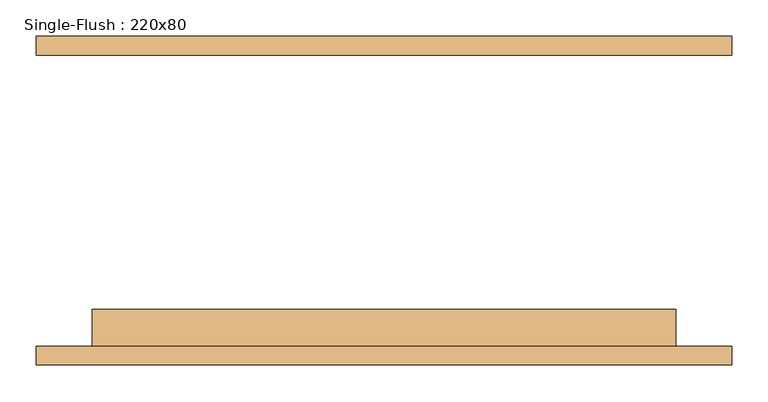
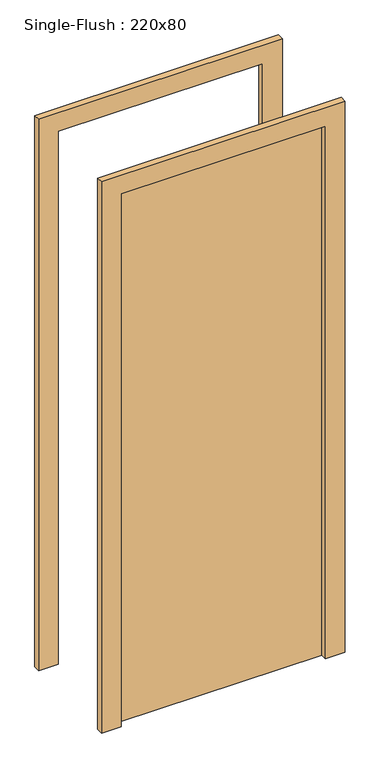
"""IFC4 building model written with IfcOpenShell, lengths in millimetres: door geometry, Single-Flush : 220x80."""

from ifc_helpers import new_model, si_unit, frame, origin, origin_with_axes, place, context, project, spatial, polyline, outline, extrude, source, transform, mapped, element, save


def single_flush_220x80_68e23316(model_context):
    return source(origin(), model_context, "Body", "SweptSolid", [
        extrude(outline(polyline([(2276.2, -476.2), (0.0, -476.2), (0.0, -400.0), (2200.0, -400.0), (2200.0, 400.0), (0.0, 400.0), (0.0, 476.2), (2276.2, 476.2), (2276.2, -476.2)])), frame((0.0, -225.4, 0.0), z_axis=(0.0, 1.0, 0.0), x_axis=(0.0, 0.0, 1.0)), (0.0, 0.0, 1.0), 25.4),
        extrude(outline(polyline([(2276.2, 476.2), (2276.2, -476.2), (0.0, -476.2), (0.0, -400.0), (2200.0, -400.0), (2200.0, 400.0), (0.0, 400.0), (0.0, 476.2), (2276.2, 476.2)])), frame((0.0, 200.0, 0.0), z_axis=(0.0, 1.0, 0.0), x_axis=(0.0, 0.0, 1.0)), (0.0, 0.0, 1.0), 25.4),
        extrude(outline(polyline([(400.0, -149.2), (400.0, -200.0), (-400.0, -200.0), (-400.0, -149.2), (400.0, -149.2)])), origin_with_axes(), (0.0, 0.0, 1.0), 2200.0),
    ])


if __name__ == "__main__":
    model = new_model("IFC4")
    model_context = context("Model", 3, world=origin())
    ifc_project = project(units=[si_unit("LENGTHUNIT", "METRE", prefix="MILLI")], contexts=[model_context])
    site = spatial("IfcSite", under=ifc_project)
    building = spatial("IfcBuilding", under=site)
    placement = place(None, origin())
    single_flush_220x80_shape = single_flush_220x80_68e23316(model_context)
    element("IfcDoor", 1, ObjectType="Single-Flush : 220x80", at=placement, inside=building, context=model_context, shape_type="MappedRepresentation", body=[
        mapped(single_flush_220x80_shape, transform((0.0, 0.0, 0.0), x_axis=(1.0, 0.0, 0.0), y_axis=(0.0, 1.0, 0.0), z_axis=(0.0, 0.0, 1.0))),
    ])
    save(model, "model.ifc")
